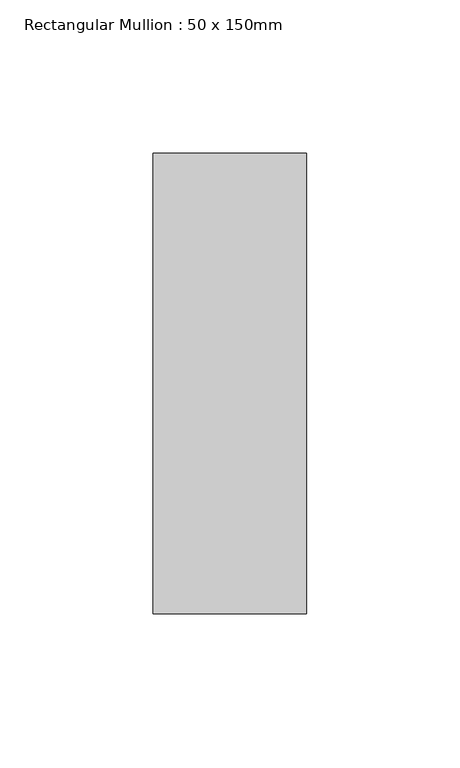
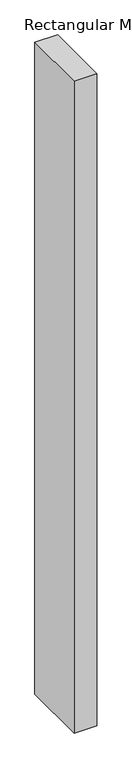
"""IFC4 building model written with IfcOpenShell, lengths in millimetres: member geometry, Rectangular Mullion : 50 x 150mm."""

from ifc_helpers import new_model, si_unit, frame, origin, place, context, project, spatial, polyline, outline, extrude, source, transform, mapped, element, save


def rectangular_mullion_50_x_150mm_0ab0c800(model_context):
    return source(origin(), model_context, "Body", "SweptSolid", [
        extrude(outline(polyline([(25.0, 75.0), (25.0, -75.0), (-25.0, -75.0), (-25.0, 75.0), (25.0, 75.0)])), frame((0.0, 0.0, -1519.1489137), z_axis=(0.0, 0.0, 1.0), x_axis=(1.0, 0.0, 0.0)), (0.0, 0.0, 1.0), 1519.1489137),
    ])


if __name__ == "__main__":
    model = new_model("IFC4")
    model_context = context("Model", 3, world=origin())
    ifc_project = project(units=[si_unit("LENGTHUNIT", "METRE", prefix="MILLI")], contexts=[model_context])
    site = spatial("IfcSite", under=ifc_project)
    building = spatial("IfcBuilding", under=site)
    placement = place(None, origin())
    rectangular_mullion_50_x_150mm_shape = rectangular_mullion_50_x_150mm_0ab0c800(model_context)
    element("IfcMember", 1, ObjectType="Rectangular Mullion : 50 x 150mm", at=placement, inside=building, context=model_context, shape_type="MappedRepresentation", body=[
        mapped(rectangular_mullion_50_x_150mm_shape, transform((0.0, 0.0, 0.0), x_axis=(1.0, 0.0, 0.0), y_axis=(0.0, 1.0, 0.0), z_axis=(0.0, 0.0, 1.0))),
    ])
    save(model, "model.ifc")
